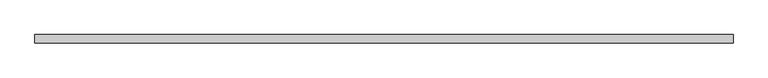
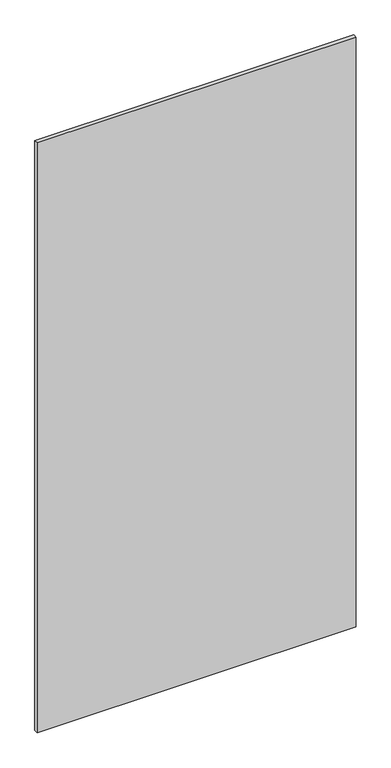
"""IFC4 building model written with IfcOpenShell, lengths in millimetres: plate geometry."""

import ifcopenshell
import ifcopenshell.guid

model = None  # the IFC model being written
_history = None  # IfcOwnerHistory: only IFC2X3 demands one
_inside = {}  # id of a spatial element -> (the spatial element, [elements in it])
_under = {}  # id of a project, library or spatial element -> (it, [spatial elements below it])
_declared = {}  # id of a project -> (the project, [libraries it declares])
_typed = {}  # id of a type object -> (the type object, [elements of that type])
_made_of = {}  # id of a material, layer set ... -> (it, [elements and type objects made of it])


def new_model(schema):
    """Start an empty IFC model of exactly this schema.

    Asked for "IFC4X3", IfcOpenShell would pick the latest addendum, in which some entities
    have other attributes; the version numbers below select the first issue.
    IFC2X3 requires an IfcOwnerHistory on every rooted entity: one is made here for all.
    """
    global model, _history
    if schema == "IFC4X3":
        model = ifcopenshell.file(schema_version=(4, 3, 0, 0))
    else:
        model = ifcopenshell.file(schema=schema)
    _inside.clear()
    _under.clear()
    _declared.clear()
    _typed.clear()
    _made_of.clear()
    _history = None
    if model.schema == "IFC2X3":
        org = make("IfcOrganization", Name="unknown")
        user = make(
            "IfcPersonAndOrganization",
            ThePerson=make("IfcPerson", FamilyName="unknown"),
            TheOrganization=org,
        )
        app = make(
            "IfcApplication",
            ApplicationDeveloper=org,
            Version="unknown",
            ApplicationFullName="unknown",
            ApplicationIdentifier="unknown",
        )
        _history = make(
            "IfcOwnerHistory",
            OwningUser=user,
            OwningApplication=app,
            ChangeAction="ADDED",
            CreationDate=0,
        )
    return model


def make(cls, **values):
    """One entity of the class cls with the attributes given. An attribute that is None is left unset."""
    return model.create_entity(
        cls, **{name: value for name, value in values.items() if value is not None}
    )


def rooted(cls, **values):
    """An entity with a GlobalId (a new one), such as an element, a storey or a relation."""
    return make(cls, GlobalId=ifcopenshell.guid.new(), OwnerHistory=_history, **values)


def si_unit(unit_type, name, prefix=None):
    """IfcSIUnit, for example si_unit("LENGTHUNIT", "METRE", prefix="MILLI")."""
    return make("IfcSIUnit", UnitType=unit_type, Prefix=prefix, Name=name)


def assignment(units):
    """IfcUnitAssignment: the units of a project."""
    return None if units is None else make("IfcUnitAssignment", Units=units)


def point(xyz):
    """IfcCartesianPoint."""
    return None if xyz is None else make("IfcCartesianPoint", Coordinates=xyz)


def direction(xyz):
    """IfcDirection."""
    return None if xyz is None else make("IfcDirection", DirectionRatios=xyz)


def frame(location, z_axis=None, x_axis=None):
    """IfcAxis2Placement3D, a coordinate frame: its origin and axes. An axis left out is left unset."""
    return make(
        "IfcAxis2Placement3D",
        Location=point(location),
        Axis=direction(z_axis),
        RefDirection=direction(x_axis),
    )


def origin():
    """The frame at (0, 0, 0) with its axes left unset."""
    return frame((0.0, 0.0, 0.0))


def place(relative_to, where):
    """IfcLocalPlacement: puts the frame where relative to a parent placement (None: the world)."""
    return make(
        "IfcLocalPlacement", PlacementRelTo=relative_to, RelativePlacement=where
    )


def context(
    kind, dimensions, precision=None, world=None, true_north=None, identifier=None
):
    """IfcGeometricRepresentationContext, for example the 3D "Model" context."""
    return make(
        "IfcGeometricRepresentationContext",
        ContextIdentifier=identifier,
        ContextType=kind,
        CoordinateSpaceDimension=dimensions,
        Precision=precision,
        WorldCoordinateSystem=world,
        TrueNorth=true_north,
    )


def project(units=None, contexts=None):
    """IfcProject with its units and contexts."""
    return rooted(
        "IfcProject",
        Name="project",
        RepresentationContexts=contexts,
        UnitsInContext=assignment(units),
    )


def spatial(cls, under=None, at=None, **own):
    """A site, building, storey or space (cls), placed at a placement, below another one or the project."""
    s = rooted(cls, ObjectPlacement=at, **own)
    if under is not None:
        _under.setdefault(under.id(), (under, []))[1].append(s)
    return s


def polyline(points):
    """IfcPolyline through the points."""
    return make("IfcPolyline", Points=[point(p) for p in points])


def outline(outer, holes=None, kind="AREA"):
    """IfcArbitraryClosedProfileDef: a profile drawn as a closed curve; with holes, ...WithVoids."""
    if holes is None:
        return make("IfcArbitraryClosedProfileDef", ProfileType=kind, OuterCurve=outer)
    return make(
        "IfcArbitraryProfileDefWithVoids",
        ProfileType=kind,
        OuterCurve=outer,
        InnerCurves=holes,
    )


def extrude(swept, where, along, depth):
    """IfcExtrudedAreaSolid: the profile swept, set in the frame where, extruded along a direction by depth."""
    return make(
        "IfcExtrudedAreaSolid",
        SweptArea=swept,
        Position=where,
        ExtrudedDirection=direction(along),
        Depth=depth,
    )


def shape(context_of_items, identifier, shape_type, items):
    """IfcShapeRepresentation: the items that make up one representation, for example the "Body"."""
    return make(
        "IfcShapeRepresentation",
        ContextOfItems=context_of_items,
        RepresentationIdentifier=identifier,
        RepresentationType=shape_type,
        Items=items,
    )


def source(mapping_origin, context_of_items, identifier, shape_type, items):
    """IfcRepresentationMap: a shape defined once, which mapped items show again and again."""
    return make(
        "IfcRepresentationMap",
        MappingOrigin=mapping_origin,
        MappedRepresentation=shape(context_of_items, identifier, shape_type, items),
    )


def transform(
    local_origin,
    x_axis=None,
    y_axis=None,
    z_axis=None,
    scale=None,
    scale2=None,
    scale3=None,
    uniform=True,
):
    """IfcCartesianTransformationOperator3D, or its non-uniform kind. x_axis, y_axis, z_axis: its Axis1, 2, 3."""
    if uniform:
        return make(
            "IfcCartesianTransformationOperator3D",
            Axis1=direction(x_axis),
            Axis2=direction(y_axis),
            LocalOrigin=point(local_origin),
            Scale=scale,
            Axis3=direction(z_axis),
        )
    return make(
        "IfcCartesianTransformationOperator3DnonUniform",
        Axis1=direction(x_axis),
        Axis2=direction(y_axis),
        LocalOrigin=point(local_origin),
        Scale=scale,
        Axis3=direction(z_axis),
        Scale2=scale2,
        Scale3=scale3,
    )


def mapped(mapping_source, mapping_target):
    """IfcMappedItem: shows the shape of a source again, moved by a transform."""
    return make(
        "IfcMappedItem", MappingSource=mapping_source, MappingTarget=mapping_target
    )


def made_of(thing, what):
    """Note that an element or type object is made of a material, layer set ...; save() writes the relation."""
    if what is not None:
        _made_of.setdefault(what.id(), (what, []))[1].append(thing)
    return thing


def element(
    cls,
    number,
    at=None,
    inside=None,
    cuts=None,
    type_object=None,
    material=None,
    context=None,
    identifier="Body",
    shape_type=None,
    held_by="IfcProductDefinitionShape",
    body=None,
    shapes=None,
    **own,
):
    """One element of the class cls, such as IfcWall. Its Tag is "e" and its number.

    at: its placement. inside: the storey or other place that contains it. cuts: it is an
    opening in that element (IfcRelVoidsElement). A single representation is given by context,
    identifier, shape_type and body (its items); several are given by shapes. held_by: the class
    of the entity that holds the representations. save() writes the other relations.
    """
    e = rooted(cls, Tag="e%d" % number, ObjectPlacement=at, **own)
    if body is not None:
        shapes = [shape(context, identifier, shape_type, body)]
    if shapes is not None:
        e.Representation = make(held_by, Representations=shapes)
    if inside is not None:
        _inside.setdefault(inside.id(), (inside, []))[1].append(e)
    if cuts is not None:
        rooted(
            "IfcRelVoidsElement", RelatingBuildingElement=cuts, RelatedOpeningElement=e
        )
    if type_object is not None:
        _typed.setdefault(type_object.id(), (type_object, []))[1].append(e)
    return made_of(e, material)


def aggregate(whole, parts):
    """IfcRelAggregates: a whole, such as a stair, and the parts it consists of."""
    return rooted("IfcRelAggregates", RelatingObject=whole, RelatedObjects=parts)


def save(model, path):
    """Write the relations noted so far, then the file.

    IfcRelAggregates (storeys below a building ...), IfcRelContainedInSpatialStructure (elements
    in a storey), IfcRelDefinesByType, IfcRelAssociatesMaterial and IfcRelDeclares: one each for
    every whole, place, type object, material and project.
    """
    for whole, parts in _under.values():
        aggregate(whole, parts)
    for where, things in _inside.values():
        rooted(
            "IfcRelContainedInSpatialStructure",
            RelatedElements=things,
            RelatingStructure=where,
        )
    for kind, things in _typed.values():
        rooted("IfcRelDefinesByType", RelatedObjects=things, RelatingType=kind)
    for what, things in _made_of.values():
        rooted("IfcRelAssociatesMaterial", RelatedObjects=things, RelatingMaterial=what)
    for by, libraries in _declared.values():
        rooted("IfcRelDeclares", RelatingContext=by, RelatedDefinitions=libraries)
    model.write(path)


def plate_b3c78f20(model_context):
    return source(origin(), model_context, "Body", "SweptSolid", [
        extrude(outline(polyline([(600.0750002, -98.425), (600.0750002, -112.7125), (-596.9000002, -112.7125), (-596.9000002, -98.425), (600.0750002, -98.425)])), frame((0.0, 0.0, 98.425), z_axis=(0.0, 0.0, 1.0), x_axis=(1.0, 0.0, 0.0)), (0.0, 0.0, 1.0), 2339.975),
    ])


if __name__ == "__main__":
    model = new_model("IFC4")
    model_context = context("Model", 3, world=origin())
    ifc_project = project(units=[si_unit("LENGTHUNIT", "METRE", prefix="MILLI")], contexts=[model_context])
    site = spatial("IfcSite", under=ifc_project)
    building = spatial("IfcBuilding", under=site)
    placement = place(None, origin())
    plate_shape = plate_b3c78f20(model_context)
    element("IfcPlate", 1, at=placement, inside=building, context=model_context, shape_type="MappedRepresentation", body=[
        mapped(plate_shape, transform((0.0, 0.0, 0.0), x_axis=(1.0, 0.0, 0.0), y_axis=(0.0, 1.0, 0.0), z_axis=(0.0, 0.0, 1.0))),
    ])
    save(model, "model.ifc")
